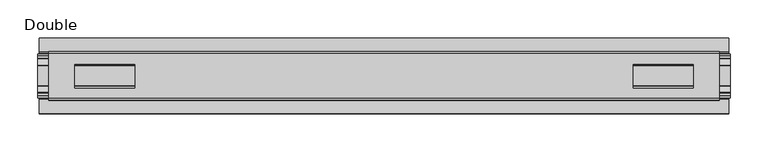
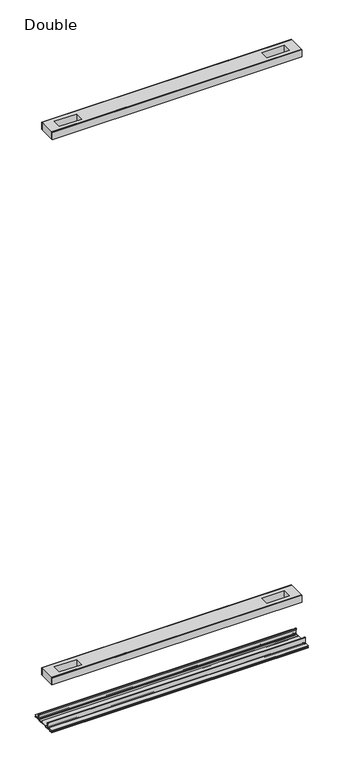
"""IFC4 building model written with IfcOpenShell, lengths in millimetres: proxy geometry, Double."""

from ifc_helpers import new_model, si_unit, point, frame, frame_2d, origin, place, context, project, spatial, polyline, circle_curve, trimmed, segment, composite_curve, outline, extrude, source, transform, mapped, element, save


def double_149ae733(model_context):
    return source(origin(), model_context, "Body", "SweptSolid", [
        extrude(outline(polyline([(441.3467254, -29.0068005), (441.3467254, -32.1817997), (-441.3467254, -32.1817997), (-441.3467254, -29.0068005), (441.3467254, -29.0068005)])), frame((0.0, 0.0, 2186.2851593), z_axis=(0.0, 0.0, 1.0), x_axis=(1.0, 0.0, 0.0)), (0.0, 0.0, 1.0), 25.3999939),
        extrude(outline(polyline([(441.3467254, 32.1817997), (441.3467254, 29.0068005), (-441.3467254, 29.0068005), (-441.3467254, 32.1817997), (441.3467254, 32.1817997)])), frame((0.0, 0.0, 2186.2851593), z_axis=(0.0, 0.0, 1.0), x_axis=(1.0, 0.0, 0.0)), (0.0, 0.0, 1.0), 25.3999939),
        extrude(outline(polyline([(441.3467254, 29.0068005), (441.3467254, -29.0068005), (-441.3467254, -29.0068005), (-441.3467254, 29.0068005), (441.3467254, 29.0068005)]), holes=[polyline([(406.9297128, 15.1130038), (327.884901, 15.1130038), (327.884901, -15.875003), (406.9297128, -15.875003), (406.9297128, 15.1130038)]), polyline([(-406.9297128, 15.1130038), (-406.9297128, -15.875003), (-327.884901, -15.875003), (-327.884901, 15.1130038), (-406.9297128, 15.1130038)])]), frame((0.0, 0.0, 2184.9851569), z_axis=(0.0, 0.0, 1.0), x_axis=(1.0, 0.0, 0.0)), (0.0, 0.0, 1.0), 27.9999988),
        extrude(outline(polyline([(441.3467254, -29.0068005), (441.3467254, -32.1817997), (-441.3467254, -32.1817997), (-441.3467254, -29.0068005), (441.3467254, -29.0068005)])), frame((0.0, 0.0, 149.8401622), z_axis=(0.0, 0.0, 1.0), x_axis=(1.0, 0.0, 0.0)), (0.0, 0.0, 1.0), 25.3999939),
        extrude(outline(polyline([(441.3467254, 32.1817997), (441.3467254, 29.0068005), (-441.3467254, 29.0068005), (-441.3467254, 32.1817997), (441.3467254, 32.1817997)])), frame((0.0, 0.0, 149.8401622), z_axis=(0.0, 0.0, 1.0), x_axis=(1.0, 0.0, 0.0)), (0.0, 0.0, 1.0), 25.3999939),
        extrude(outline(polyline([(441.3467254, 29.0068005), (441.3467254, -29.0068005), (-441.3467254, -29.0068005), (-441.3467254, 29.0068005), (441.3467254, 29.0068005)]), holes=[polyline([(406.9297128, 15.1130038), (327.884901, 15.1130038), (327.884901, -15.875003), (406.9297128, -15.875003), (406.9297128, 15.1130038)]), polyline([(-406.9297128, 15.1130038), (-406.9297128, -15.875003), (-327.884901, -15.875003), (-327.884901, 15.1130038), (-406.9297128, 15.1130038)])]), frame((0.0, 0.0, 148.4185847), z_axis=(0.0, 0.0, 1.0), x_axis=(1.0, 0.0, 0.0)), (0.0, 0.0, 1.0), 27.9999988),
        extrude(outline(composite_curve([segment(polyline([(-28.8162961, -7.7516037), (-28.8162961, 9.8607558)]), True, "CONTINUOUS"), segment(trimmed(circle_curve(frame_2d((-27.5970982, 9.8607558)), 1.2191979), [point((-28.8162961, 9.8607558))], [point((-26.3779003, 9.8607558))], False, "CARTESIAN"), True, "CONTINUOUS"), segment(polyline([(-26.3779003, 9.8607558), (-26.3779003, 5.9999563), (-27.6580769, 5.9999563), (-27.6580769, -7.7516037)]), True, "CONTINUOUS"), segment(trimmed(circle_curve(frame_2d((-26.6420561, -7.7516037)), 1.0160208), [point((-27.6580769, -7.7516037))], [point((-26.6485732, -8.7676036))], True, "CARTESIAN"), True, "CONTINUOUS"), segment(polyline([(-26.6485732, -8.7676036), (-22.7056226, -8.7676036), (-21.7922609, -8.968753)]), True, "CONTINUOUS"), segment(trimmed(circle_curve(frame_2d((-17.7673021, -6.1259382)), 4.9276657), [point((-21.7922609, -8.968753))], [point((-13.7423434, -8.968753))], True, "CARTESIAN"), True, "CONTINUOUS"), segment(polyline([(-13.7423434, -8.968753), (-12.8289726, -8.7676036), (13.2099722, -8.7676036), (14.123343, -8.968753)]), True, "CONTINUOUS"), segment(trimmed(circle_curve(frame_2d((18.1483018, -6.1259382)), 4.9276657), [point((14.123343, -8.968753))], [point((22.1732605, -8.968753))], True, "CARTESIAN"), True, "CONTINUOUS"), segment(polyline([(22.1732605, -8.968753), (23.0866222, -8.7676036), (27.0295728, -8.7676036)]), True, "CONTINUOUS"), segment(trimmed(circle_curve(frame_2d((27.0230557, -7.7516037)), 1.0160208), [point((27.0295728, -8.7676036))], [point((28.0390765, -7.7516037))], True, "CARTESIAN"), True, "CONTINUOUS"), segment(polyline([(28.0390765, -7.7516037), (28.0390765, 5.9999563), (26.7588999, 5.9999563), (26.7588999, 9.8607558)]), True, "CONTINUOUS"), segment(trimmed(circle_curve(frame_2d((27.9780978, 9.8607558)), 1.2191979), [point((26.7588999, 9.8607558))], [point((29.1972958, 9.8607558))], False, "CARTESIAN"), True, "CONTINUOUS"), segment(polyline([(29.1972958, 9.8607558), (29.1972958, -7.7516037)]), True, "CONTINUOUS"), segment(trimmed(circle_curve(frame_2d((27.0230557, -7.7516037)), 2.17424), [point((29.1972958, -7.7516037))], [point((27.0230557, -9.9258438))], False, "CARTESIAN"), True, "CONTINUOUS"), segment(polyline([(27.0230557, -9.9258438), (22.732069, -9.9258438)]), True, "CONTINUOUS"), segment(trimmed(circle_curve(frame_2d((18.1516545, -6.4800016)), 5.7318431), [point((22.732069, -9.9258438))], [point((13.57124, -9.9258438))], False, "CARTESIAN"), True, "CONTINUOUS"), segment(polyline([(13.57124, -9.9258438), (-13.1902404, -9.9258438)]), True, "CONTINUOUS"), segment(trimmed(circle_curve(frame_2d((-17.7706549, -6.4800016)), 5.7318431), [point((-13.1902404, -9.9258438))], [point((-22.3510694, -9.9258438))], False, "CARTESIAN"), True, "CONTINUOUS"), segment(polyline([(-22.3510694, -9.9258438), (-26.6420561, -9.9258438)]), True, "CONTINUOUS"), segment(trimmed(circle_curve(frame_2d((-26.6420561, -7.7516037)), 2.17424), [point((-26.6420561, -9.9258438))], [point((-28.8162961, -7.7516037))], False, "CARTESIAN"), True, "CONTINUOUS")], self_intersect=False)), frame((-455.4056163, 0.0, 0.0), z_axis=(1.0, 0.0, 0.0), x_axis=(0.0, 1.0, 0.0)), (0.0, 0.0, 1.0), 910.8112326),
        extrude(outline(composite_curve([segment(polyline([(-50.2668422, -13.9898438), (-50.2240211, -12.3388438), (-39.7827507, -12.3388438), (-39.7827507, -7.766844), (-50.2240211, -7.766844), (-50.2668422, -6.1158439), (-31.1784975, -6.1158439)]), True, "CONTINUOUS"), segment(trimmed(circle_curve(frame_2d((-31.1784975, -7.6398436)), 1.5239997), [point((-31.1784975, -6.1158439))], [point((-29.6544978, -7.6398436))], False, "CARTESIAN"), True, "CONTINUOUS"), segment(polyline([(-29.6544978, -7.6398436), (-29.6544978, -9.9258438), (-23.1058344, -9.9258438)]), True, "CONTINUOUS"), segment(trimmed(circle_curve(frame_2d((-17.7673021, -5.2268471)), 7.1119966), [point((-23.1058344, -9.9258438))], [point((-12.4287699, -9.9258438))], True, "CARTESIAN"), True, "CONTINUOUS"), segment(polyline([(-12.4287699, -9.9258438), (12.8097695, -9.9258438)]), True, "CONTINUOUS"), segment(trimmed(circle_curve(frame_2d((18.1483018, -5.2268471)), 7.1119966), [point((12.8097695, -9.9258438))], [point((23.486834, -9.9258438))], True, "CARTESIAN"), True, "CONTINUOUS"), segment(polyline([(23.486834, -9.9258438), (30.0354975, -9.9258438), (30.0354975, -7.7656583)]), True, "CONTINUOUS"), segment(trimmed(circle_curve(frame_2d((31.6864982, -7.7656583)), 1.6510007), [point((30.0354975, -7.7656583))], [point((31.6239218, -6.1158439))], False, "CARTESIAN"), True, "CONTINUOUS"), segment(polyline([(31.6239218, -6.1158439), (50.00625, -6.1158439), (50.00625, -7.766844), (40.1637503, -7.766844), (40.1637503, -12.3388438), (50.00625, -12.3388438), (50.00625, -13.9898438), (40.0367518, -13.9898438)]), True, "CONTINUOUS"), segment(trimmed(circle_curve(frame_2d((40.0367518, -12.4658438)), 1.524), [point((40.0367518, -13.9898438))], [point((38.5127519, -12.4658438))], False, "CARTESIAN"), True, "CONTINUOUS"), segment(polyline([(38.5127519, -12.4658438), (38.5127519, -7.766844), (31.686497, -7.766844), (31.686497, -10.0528438)]), True, "CONTINUOUS"), segment(trimmed(circle_curve(frame_2d((30.1624971, -10.0528438)), 1.524), [point((31.686497, -10.0528438))], [point((30.1624971, -11.5768438))], False, "CARTESIAN"), True, "CONTINUOUS"), segment(polyline([(30.1624971, -11.5768438), (23.6563549, -11.5768438)]), True, "CONTINUOUS"), segment(trimmed(circle_curve(frame_2d((18.1483018, -6.4968436)), 7.4930002), [point((23.6563549, -11.5768438))], [point((12.8904968, -11.8354331))], False, "CARTESIAN"), True, "CONTINUOUS"), segment(polyline([(12.8904968, -11.8354331), (-12.5094972, -11.8354331)]), True, "CONTINUOUS"), segment(trimmed(circle_curve(frame_2d((-17.7673021, -6.4968436)), 7.4930002), [point((-12.5094972, -11.8354331))], [point((-23.2753553, -11.5768438))], False, "CARTESIAN"), True, "CONTINUOUS"), segment(polyline([(-23.2753553, -11.5768438), (-29.7814974, -11.5768438)]), True, "CONTINUOUS"), segment(trimmed(circle_curve(frame_2d((-29.7814974, -10.0528438)), 1.524), [point((-29.7814974, -11.5768438))], [point((-31.3054974, -10.0528438))], False, "CARTESIAN"), True, "CONTINUOUS"), segment(polyline([(-31.3054974, -10.0528438), (-31.3054974, -7.766844), (-38.1317522, -7.766844), (-38.1317522, -12.4658438)]), True, "CONTINUOUS"), segment(trimmed(circle_curve(frame_2d((-39.6557522, -12.4658438)), 1.524), [point((-38.1317522, -12.4658438))], [point((-39.6557522, -13.9898438))], False, "CARTESIAN"), True, "CONTINUOUS"), segment(polyline([(-39.6557522, -13.9898438), (-50.2668422, -13.9898438)]), True, "CONTINUOUS")], self_intersect=False)), frame((-453.7546163, 0.0, 0.0), z_axis=(1.0, 0.0, 0.0), x_axis=(0.0, 1.0, 0.0)), (0.0, 0.0, 1.0), 907.5092326),
    ])


if __name__ == "__main__":
    model = new_model("IFC4")
    model_context = context("Model", 3, world=origin())
    ifc_project = project(units=[si_unit("LENGTHUNIT", "METRE", prefix="MILLI")], contexts=[model_context])
    site = spatial("IfcSite", under=ifc_project)
    building = spatial("IfcBuilding", under=site)
    placement = place(None, origin())
    double_shape = double_149ae733(model_context)
    element("IfcBuildingElementProxy", 1, Name="Double", ObjectType="Double", at=placement, inside=building, context=model_context, shape_type="MappedRepresentation", body=[
        mapped(double_shape, transform((0.0, 0.0, 0.0), x_axis=(1.0, 0.0, 0.0), y_axis=(0.0, 1.0, 0.0), z_axis=(0.0, 0.0, 1.0))),
    ])
    save(model, "model.ifc")
